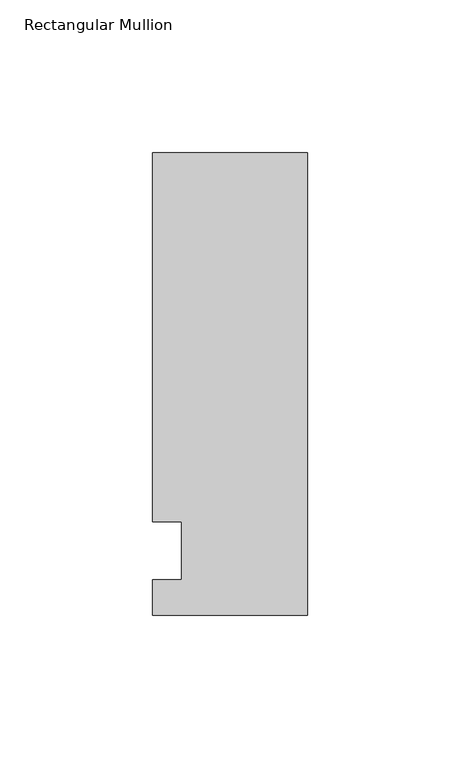
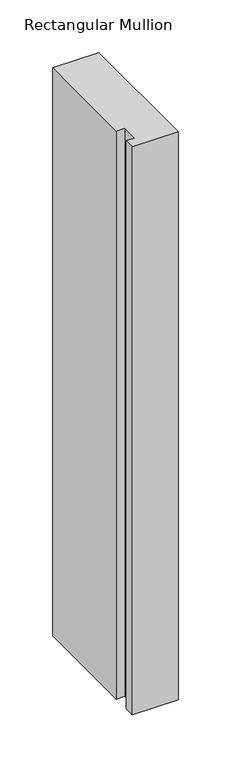
"""IFC4 building model written with IfcOpenShell, lengths in millimetres: member geometry, Rectangular Mullion."""

from ifc_helpers import new_model, si_unit, frame, origin, place, context, project, spatial, polyline, outline, extrude, source, transform, mapped, element, save


def rectangular_mullion_fded576a(model_context):
    return source(origin(), model_context, "Body", "SweptSolid", [
        extrude(outline(polyline([(-50.8, -25.7961253), (-50.8, -14.2875), (-41.275, -14.2875), (-41.275, 4.7625), (-50.8, 4.7625), (-50.8, 125.8036906), (0.0, 125.8036906), (0.0, -25.7961253), (-50.8, -25.7961253)])), frame((0.0, 0.0, -660.4), z_axis=(0.0, 0.0, 1.0), x_axis=(1.0, 0.0, 0.0)), (0.0, 0.0, 1.0), 660.4),
    ])


if __name__ == "__main__":
    model = new_model("IFC4")
    model_context = context("Model", 3, world=origin())
    ifc_project = project(units=[si_unit("LENGTHUNIT", "METRE", prefix="MILLI")], contexts=[model_context])
    site = spatial("IfcSite", under=ifc_project)
    building = spatial("IfcBuilding", under=site)
    placement = place(None, origin())
    rectangular_mullion_shape = rectangular_mullion_fded576a(model_context)
    element("IfcMember", 1, ObjectType="Rectangular Mullion", at=placement, inside=building, context=model_context, shape_type="MappedRepresentation", body=[
        mapped(rectangular_mullion_shape, transform((0.0, 0.0, 0.0), x_axis=(1.0, 0.0, 0.0), y_axis=(0.0, 1.0, 0.0), z_axis=(0.0, 0.0, 1.0))),
    ])
    save(model, "model.ifc")
